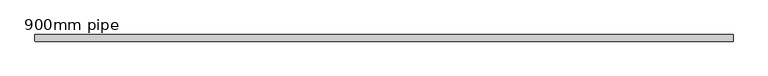
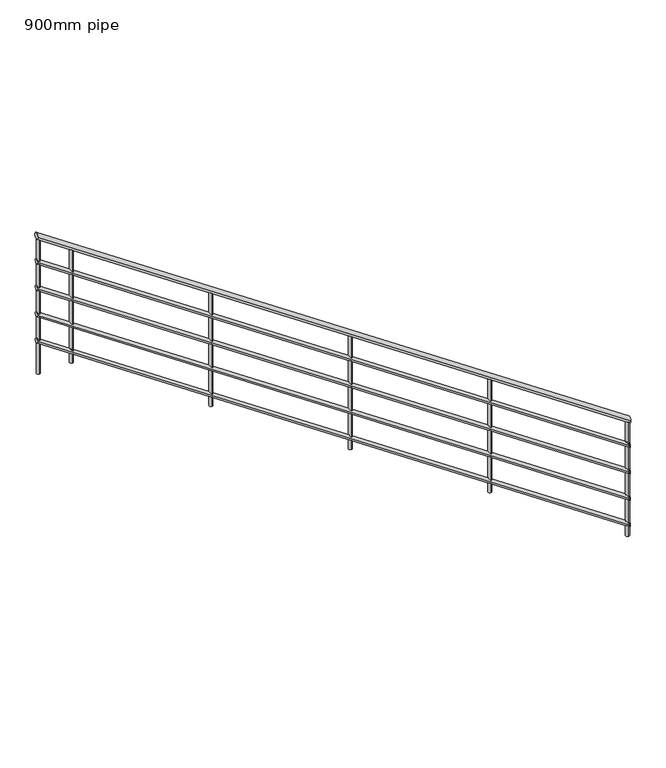
"""IFC4 building model written with IfcOpenShell, lengths in millimetres: railing geometry, 900mm pipe."""

from ifc_helpers import new_model, si_unit, frame, origin, place, context, project, spatial, circle_curve, ellipse_curve, source, transform, mapped, element, save
from ifc_brep_helpers import plane_surface, cylinder_surface, advanced_brep


def railing_900mm_pipe_1373e259(model_context):
    return source(origin(), model_context, "Body", "AdvancedBrep", [
        advanced_brep(
        [(5814.840733, -152.9565905, -2004.7165383), (5814.840733, -112.9565905, -2004.7165383), (1564.840733, -152.9565905, 875.8390173), (1564.840733, -112.9565905, 875.8390173)],
        [
            (0, 1, ellipse_curve(frame((5814.840733, -132.9565905, -2004.7165383), z_axis=(1.0, 0.0, 0.0), x_axis=(0.0, 0.0, -1.0)), 24.1609827, 20.0)),
            (1, 0, ellipse_curve(frame((5814.840733, -132.9565905, -2004.7165383), z_axis=(1.0, 0.0, 0.0), x_axis=(0.0, 0.0, -1.0)), 24.1609827, 20.0)),
            (2, 3, ellipse_curve(frame((1564.840733, -132.9565905, 875.8390173), z_axis=(-1.0, 0.0, 0.0), x_axis=(0.0, 0.0, -1.0)), 24.1609827, 20.0)),
            (3, 2, ellipse_curve(frame((1564.840733, -132.9565905, 875.8390173), z_axis=(-1.0, 0.0, 0.0), x_axis=(0.0, 0.0, -1.0)), 24.1609827, 20.0)),
            (0, 2),
            (3, 1),
        ],
        [
            plane_surface(frame((5814.840733, -132.9565905, -1980.5555556), z_axis=(1.0, 0.0, 0.0), x_axis=(0.0, -1.0, 0.0))),
            plane_surface(frame((1564.840733, -132.9565905, 900.0), z_axis=(-1.0, 0.0, 0.0), x_axis=(0.0, -1.0, 0.0))),
            cylinder_surface(frame((5803.6197031, -132.9565905, -1997.1111735), z_axis=(0.8277808988368525, 0.0, -0.5610514981005333), x_axis=(0.0, 1.0, 0.0)), 20.0),
        ],
        [
            (0, [[1, 2]]),
            (1, [[3, 4]]),
            (2, [[-1, 5, -4, 6]]),
            (2, [[-2, -6, -3, -5]]),
        ],
    ),
        advanced_brep(
        [(5814.840733, -147.9565905, -2198.6762926), (5814.840733, -117.9565905, -2198.6762926), (1564.840733, -147.9565905, 681.879263), (1564.840733, -117.9565905, 681.879263)],
        [
            (0, 1, ellipse_curve(frame((5814.840733, -132.9565905, -2198.6762926), z_axis=(1.0, 0.0, 0.0), x_axis=(0.0, 0.0, -1.0)), 18.120737, 15.0)),
            (1, 0, ellipse_curve(frame((5814.840733, -132.9565905, -2198.6762926), z_axis=(1.0, 0.0, 0.0), x_axis=(0.0, 0.0, -1.0)), 18.120737, 15.0)),
            (2, 3, ellipse_curve(frame((1564.840733, -132.9565905, 681.879263), z_axis=(-1.0, 0.0, 0.0), x_axis=(0.0, 0.0, -1.0)), 18.120737, 15.0)),
            (3, 2, ellipse_curve(frame((1564.840733, -132.9565905, 681.879263), z_axis=(-1.0, 0.0, 0.0), x_axis=(0.0, 0.0, -1.0)), 18.120737, 15.0)),
            (0, 2),
            (3, 1),
        ],
        [
            plane_surface(frame((5814.840733, -132.9565905, -2180.5555556), z_axis=(1.0, 0.0, 0.0), x_axis=(0.0, -1.0, 0.0))),
            plane_surface(frame((1564.840733, -132.9565905, 700.0), z_axis=(-1.0, 0.0, 0.0), x_axis=(0.0, -1.0, 0.0))),
            cylinder_surface(frame((5806.4249606, -132.9565905, -2192.972269), z_axis=(0.8277808988368525, 0.0, -0.5610514981005333), x_axis=(0.0, 1.0, 0.0)), 15.0),
        ],
        [
            (0, [[1, 2]]),
            (1, [[3, 4]]),
            (2, [[-1, 5, -4, 6]]),
            (2, [[-2, -6, -3, -5]]),
        ],
    ),
        advanced_brep(
        [(5814.840733, -147.9565905, -2398.6762926), (5814.840733, -117.9565905, -2398.6762926), (1564.840733, -147.9565905, 481.879263), (1564.840733, -117.9565905, 481.879263)],
        [
            (0, 1, ellipse_curve(frame((5814.840733, -132.9565905, -2398.6762926), z_axis=(1.0, 0.0, 0.0), x_axis=(0.0, 0.0, -1.0)), 18.120737, 15.0)),
            (1, 0, ellipse_curve(frame((5814.840733, -132.9565905, -2398.6762926), z_axis=(1.0, 0.0, 0.0), x_axis=(0.0, 0.0, -1.0)), 18.120737, 15.0)),
            (2, 3, ellipse_curve(frame((1564.840733, -132.9565905, 481.879263), z_axis=(-1.0, 0.0, 0.0), x_axis=(0.0, 0.0, -1.0)), 18.120737, 15.0)),
            (3, 2, ellipse_curve(frame((1564.840733, -132.9565905, 481.879263), z_axis=(-1.0, 0.0, 0.0), x_axis=(0.0, 0.0, -1.0)), 18.120737, 15.0)),
            (0, 2),
            (3, 1),
        ],
        [
            plane_surface(frame((5814.840733, -132.9565905, -2380.5555556), z_axis=(1.0, 0.0, 0.0), x_axis=(0.0, -1.0, 0.0))),
            plane_surface(frame((1564.840733, -132.9565905, 500.0), z_axis=(-1.0, 0.0, 0.0), x_axis=(0.0, -1.0, 0.0))),
            cylinder_surface(frame((5806.4249606, -132.9565905, -2392.972269), z_axis=(0.8277808988368525, 0.0, -0.5610514981005333), x_axis=(0.0, 1.0, 0.0)), 15.0),
        ],
        [
            (0, [[1, 2]]),
            (1, [[3, 4]]),
            (2, [[-1, 5, -4, 6]]),
            (2, [[-2, -6, -3, -5]]),
        ],
    ),
        advanced_brep(
        [(5814.840733, -147.9565905, -2598.6762926), (5814.840733, -117.9565905, -2598.6762926), (1564.840733, -147.9565905, 281.879263), (1564.840733, -117.9565905, 281.879263)],
        [
            (0, 1, ellipse_curve(frame((5814.840733, -132.9565905, -2598.6762926), z_axis=(1.0, 0.0, 0.0), x_axis=(0.0, 0.0, -1.0)), 18.120737, 15.0)),
            (1, 0, ellipse_curve(frame((5814.840733, -132.9565905, -2598.6762926), z_axis=(1.0, 0.0, 0.0), x_axis=(0.0, 0.0, -1.0)), 18.120737, 15.0)),
            (2, 3, ellipse_curve(frame((1564.840733, -132.9565905, 281.879263), z_axis=(-1.0, 0.0, 0.0), x_axis=(0.0, 0.0, -1.0)), 18.120737, 15.0)),
            (3, 2, ellipse_curve(frame((1564.840733, -132.9565905, 281.879263), z_axis=(-1.0, 0.0, 0.0), x_axis=(0.0, 0.0, -1.0)), 18.120737, 15.0)),
            (0, 2),
            (3, 1),
        ],
        [
            plane_surface(frame((5814.840733, -132.9565905, -2580.5555556), z_axis=(1.0, 0.0, 0.0), x_axis=(0.0, -1.0, 0.0))),
            plane_surface(frame((1564.840733, -132.9565905, 300.0), z_axis=(-1.0, 0.0, 0.0), x_axis=(0.0, -1.0, 0.0))),
            cylinder_surface(frame((5806.4249606, -132.9565905, -2592.972269), z_axis=(0.8277808988368525, 0.0, -0.5610514981005333), x_axis=(0.0, 1.0, 0.0)), 15.0),
        ],
        [
            (0, [[1, 2]]),
            (1, [[3, 4]]),
            (2, [[-1, 5, -4, 6]]),
            (2, [[-2, -6, -3, -5]]),
        ],
    ),
        advanced_brep(
        [(5814.840733, -147.9565905, -2798.6762926), (5814.840733, -117.9565905, -2798.6762926), (1564.840733, -147.9565905, 81.879263), (1564.840733, -117.9565905, 81.879263)],
        [
            (0, 1, ellipse_curve(frame((5814.840733, -132.9565905, -2798.6762926), z_axis=(1.0, 0.0, 0.0), x_axis=(0.0, 0.0, -1.0)), 18.120737, 15.0)),
            (1, 0, ellipse_curve(frame((5814.840733, -132.9565905, -2798.6762926), z_axis=(1.0, 0.0, 0.0), x_axis=(0.0, 0.0, -1.0)), 18.120737, 15.0)),
            (2, 3, ellipse_curve(frame((1564.840733, -132.9565905, 81.879263), z_axis=(-1.0, 0.0, 0.0), x_axis=(0.0, 0.0, -1.0)), 18.120737, 15.0)),
            (3, 2, ellipse_curve(frame((1564.840733, -132.9565905, 81.879263), z_axis=(-1.0, 0.0, 0.0), x_axis=(0.0, 0.0, -1.0)), 18.120737, 15.0)),
            (0, 2),
            (3, 1),
        ],
        [
            plane_surface(frame((5814.840733, -132.9565905, -2780.5555556), z_axis=(1.0, 0.0, 0.0), x_axis=(0.0, -1.0, 0.0))),
            plane_surface(frame((1564.840733, -132.9565905, 100.0), z_axis=(-1.0, 0.0, 0.0), x_axis=(0.0, -1.0, 0.0))),
            cylinder_surface(frame((5806.4249606, -132.9565905, -2792.972269), z_axis=(0.8277808988368525, 0.0, -0.5610514981005333), x_axis=(0.0, 1.0, 0.0)), 15.0),
        ],
        [
            (0, [[1, 2]]),
            (1, [[3, 4]]),
            (2, [[-1, 5, -4, 6]]),
            (2, [[-2, -6, -3, -5]]),
        ],
    ),
        advanced_brep(
        [(1814.840733, -120.4565905, 690.5555556), (1814.840733, -120.4565905, -169.4444444), (1814.840733, -145.4565905, -169.4444444), (1814.840733, -145.4565905, 690.5555556)],
        [
            (0, 1),
            (1, 2, circle_curve(frame((1814.840733, -132.9565905, -169.4444444), z_axis=(0.0, 0.0, 1.0), x_axis=(0.0, -1.0, 0.0)), 12.5)),
            (2, 3),
            (3, 0, ellipse_curve(frame((1814.840733, -132.9565905, 690.5555556), z_axis=(-0.5610514981005325, 0.0, -0.8277808988368531), x_axis=(-0.8277808988368532, 0.0, 0.5610514981005321)), 15.1006142, 12.5)),
            (0, 3, ellipse_curve(frame((1814.840733, -132.9565905, 690.5555556), z_axis=(-0.5610514981005325, 0.0, -0.8277808988368531), x_axis=(-0.8277808988368532, 0.0, 0.5610514981005321)), 15.1006142, 12.5)),
            (2, 1, circle_curve(frame((1814.840733, -132.9565905, -169.4444444), z_axis=(0.0, 0.0, 1.0), x_axis=(0.0, -1.0, 0.0)), 12.5)),
        ],
        [
            cylinder_surface(frame((1814.840733, -132.9565905, -269.4444444), z_axis=(0.0, 0.0, 1.0), x_axis=(0.0, -1.0, 0.0)), 12.5),
            plane_surface(frame((1789.840733, -157.9565905, 707.5), z_axis=(0.5610514981005325, 0.0, 0.8277808988368531), x_axis=(0.0, 1.0, 0.0))),
            plane_surface(frame((1839.840733, -157.9565905, -169.4444444), z_axis=(0.0, 0.0, -1.0), x_axis=(0.0, 1.0, 0.0))),
        ],
        [
            (0, [[1, 2, 3, 4]]),
            (0, [[-1, 5, -3, 6]]),
            (1, [[-4, -5]]),
            (2, [[-2, -6]]),
        ],
    ),
        advanced_brep(
        [(2814.840733, -120.4565905, 12.7777778), (2814.840733, -120.4565905, -847.2222222), (2814.840733, -145.4565905, -847.2222222), (2814.840733, -145.4565905, 12.7777778)],
        [
            (0, 1),
            (1, 2, circle_curve(frame((2814.840733, -132.9565905, -847.2222222), z_axis=(0.0, 0.0, 1.0), x_axis=(0.0, -1.0, 0.0)), 12.5)),
            (2, 3),
            (3, 0, ellipse_curve(frame((2814.840733, -132.9565905, 12.7777778), z_axis=(-0.5610514981005325, 0.0, -0.8277808988368531), x_axis=(-0.8277808988368532, 0.0, 0.5610514981005321)), 15.1006142, 12.5)),
            (0, 3, ellipse_curve(frame((2814.840733, -132.9565905, 12.7777778), z_axis=(-0.5610514981005325, 0.0, -0.8277808988368531), x_axis=(-0.8277808988368532, 0.0, 0.5610514981005321)), 15.1006142, 12.5)),
            (2, 1, circle_curve(frame((2814.840733, -132.9565905, -847.2222222), z_axis=(0.0, 0.0, 1.0), x_axis=(0.0, -1.0, 0.0)), 12.5)),
        ],
        [
            cylinder_surface(frame((2814.840733, -132.9565905, -947.2222222), z_axis=(0.0, 0.0, 1.0), x_axis=(0.0, -1.0, 0.0)), 12.5),
            plane_surface(frame((2789.840733, -157.9565905, 29.7222222), z_axis=(0.5610514981005325, 0.0, 0.8277808988368531), x_axis=(0.0, 1.0, 0.0))),
            plane_surface(frame((2839.840733, -157.9565905, -847.2222222), z_axis=(0.0, 0.0, -1.0), x_axis=(0.0, 1.0, 0.0))),
        ],
        [
            (0, [[1, 2, 3, 4]]),
            (0, [[-1, 5, -3, 6]]),
            (1, [[-4, -5]]),
            (2, [[-2, -6]]),
        ],
    ),
        advanced_brep(
        [(3814.840733, -120.4565905, -665.0), (3814.840733, -120.4565905, -1525.0), (3814.840733, -145.4565905, -1525.0), (3814.840733, -145.4565905, -665.0)],
        [
            (0, 1),
            (1, 2, circle_curve(frame((3814.840733, -132.9565905, -1525.0), z_axis=(0.0, 0.0, 1.0), x_axis=(0.0, -1.0, 0.0)), 12.5)),
            (2, 3),
            (3, 0, ellipse_curve(frame((3814.840733, -132.9565905, -665.0), z_axis=(-0.5610514981005325, 0.0, -0.8277808988368531), x_axis=(-0.8277808988368532, 0.0, 0.5610514981005321)), 15.1006142, 12.5)),
            (0, 3, ellipse_curve(frame((3814.840733, -132.9565905, -665.0), z_axis=(-0.5610514981005325, 0.0, -0.8277808988368531), x_axis=(-0.8277808988368532, 0.0, 0.5610514981005321)), 15.1006142, 12.5)),
            (2, 1, circle_curve(frame((3814.840733, -132.9565905, -1525.0), z_axis=(0.0, 0.0, 1.0), x_axis=(0.0, -1.0, 0.0)), 12.5)),
        ],
        [
            cylinder_surface(frame((3814.840733, -132.9565905, -1625.0), z_axis=(0.0, 0.0, 1.0), x_axis=(0.0, -1.0, 0.0)), 12.5),
            plane_surface(frame((3789.840733, -157.9565905, -648.0555556), z_axis=(0.5610514981005325, 0.0, 0.8277808988368531), x_axis=(0.0, 1.0, 0.0))),
            plane_surface(frame((3839.840733, -157.9565905, -1525.0), z_axis=(0.0, 0.0, -1.0), x_axis=(0.0, 1.0, 0.0))),
        ],
        [
            (0, [[1, 2, 3, 4]]),
            (0, [[-1, 5, -3, 6]]),
            (1, [[-4, -5]]),
            (2, [[-2, -6]]),
        ],
    ),
        advanced_brep(
        [(4814.840733, -120.4565905, -1342.7777778), (4814.840733, -120.4565905, -2202.7777778), (4814.840733, -145.4565905, -2202.7777778), (4814.840733, -145.4565905, -1342.7777778)],
        [
            (0, 1),
            (1, 2, circle_curve(frame((4814.840733, -132.9565905, -2202.7777778), z_axis=(0.0, 0.0, 1.0), x_axis=(0.0, -1.0, 0.0)), 12.5)),
            (2, 3),
            (3, 0, ellipse_curve(frame((4814.840733, -132.9565905, -1342.7777778), z_axis=(-0.5610514981005325, 0.0, -0.8277808988368531), x_axis=(-0.8277808988368532, 0.0, 0.5610514981005321)), 15.1006142, 12.5)),
            (0, 3, ellipse_curve(frame((4814.840733, -132.9565905, -1342.7777778), z_axis=(-0.5610514981005325, 0.0, -0.8277808988368531), x_axis=(-0.8277808988368532, 0.0, 0.5610514981005321)), 15.1006142, 12.5)),
            (2, 1, circle_curve(frame((4814.840733, -132.9565905, -2202.7777778), z_axis=(0.0, 0.0, 1.0), x_axis=(0.0, -1.0, 0.0)), 12.5)),
        ],
        [
            cylinder_surface(frame((4814.840733, -132.9565905, -2302.7777778), z_axis=(0.0, 0.0, 1.0), x_axis=(0.0, -1.0, 0.0)), 12.5),
            plane_surface(frame((4789.840733, -157.9565905, -1325.8333333), z_axis=(0.5610514981005325, 0.0, 0.8277808988368531), x_axis=(0.0, 1.0, 0.0))),
            plane_surface(frame((4839.840733, -157.9565905, -2202.7777778), z_axis=(0.0, 0.0, -1.0), x_axis=(0.0, 1.0, 0.0))),
        ],
        [
            (0, [[1, 2, 3, 4]]),
            (0, [[-1, 5, -3, 6]]),
            (1, [[-4, -5]]),
            (2, [[-2, -6]]),
        ],
    ),
        advanced_brep(
        [(1577.340733, -120.4565905, 851.5277778), (1577.340733, -120.4565905, -169.4444444), (1577.340733, -145.4565905, -169.4444444), (1577.340733, -145.4565905, 851.5277778)],
        [
            (0, 1),
            (1, 2, circle_curve(frame((1577.340733, -132.9565905, -169.4444444), z_axis=(0.0, 0.0, 1.0), x_axis=(0.0, -1.0, 0.0)), 12.5)),
            (2, 3),
            (3, 0, ellipse_curve(frame((1577.340733, -132.9565905, 851.5277778), z_axis=(-0.5610514981005325, 0.0, -0.8277808988368531), x_axis=(-0.8277808988368532, 0.0, 0.5610514981005321)), 15.1006142, 12.5)),
            (0, 3, ellipse_curve(frame((1577.340733, -132.9565905, 851.5277778), z_axis=(-0.5610514981005325, 0.0, -0.8277808988368531), x_axis=(-0.8277808988368532, 0.0, 0.5610514981005321)), 15.1006142, 12.5)),
            (2, 1, circle_curve(frame((1577.340733, -132.9565905, -169.4444444), z_axis=(0.0, 0.0, 1.0), x_axis=(0.0, -1.0, 0.0)), 12.5)),
        ],
        [
            cylinder_surface(frame((1577.340733, -132.9565905, -269.4444444), z_axis=(0.0, 0.0, 1.0), x_axis=(0.0, -1.0, 0.0)), 12.5),
            plane_surface(frame((1552.340733, -157.9565905, 868.4722222), z_axis=(0.5610514981005325, 0.0, 0.8277808988368531), x_axis=(0.0, 1.0, 0.0))),
            plane_surface(frame((1602.340733, -157.9565905, -169.4444444), z_axis=(0.0, 0.0, -1.0), x_axis=(0.0, 1.0, 0.0))),
        ],
        [
            (0, [[1, 2, 3, 4]]),
            (0, [[-1, 5, -3, 6]]),
            (1, [[-4, -5]]),
            (2, [[-2, -6]]),
        ],
    ),
        advanced_brep(
        [(5802.340733, -120.4565905, -2012.0833333), (5802.340733, -120.4565905, -2880.5555556), (5802.340733, -145.4565905, -2880.5555556), (5802.340733, -145.4565905, -2012.0833333)],
        [
            (0, 1),
            (1, 2, circle_curve(frame((5802.340733, -132.9565905, -2880.5555556), z_axis=(0.0, 0.0, 1.0), x_axis=(0.0, -1.0, 0.0)), 12.5)),
            (2, 3),
            (3, 0, ellipse_curve(frame((5802.340733, -132.9565905, -2012.0833333), z_axis=(-0.5610514981005339, 0.0, -0.827780898836852), x_axis=(-0.8277808988368521, 0.0, 0.5610514981005339)), 15.1006142, 12.5)),
            (0, 3, ellipse_curve(frame((5802.340733, -132.9565905, -2012.0833333), z_axis=(-0.5610514981005339, 0.0, -0.827780898836852), x_axis=(-0.8277808988368521, 0.0, 0.5610514981005339)), 15.1006142, 12.5)),
            (2, 1, circle_curve(frame((5802.340733, -132.9565905, -2880.5555556), z_axis=(0.0, 0.0, 1.0), x_axis=(0.0, -1.0, 0.0)), 12.5)),
        ],
        [
            cylinder_surface(frame((5802.340733, -132.9565905, -2980.5555556), z_axis=(0.0, 0.0, 1.0), x_axis=(0.0, -1.0, 0.0)), 12.5),
            plane_surface(frame((5777.340733, -157.9565905, -1995.1388889), z_axis=(0.5610514981005339, 0.0, 0.827780898836852), x_axis=(0.0, 1.0, 0.0))),
            plane_surface(frame((5827.340733, -157.9565905, -2880.5555556), z_axis=(0.0, 0.0, -1.0), x_axis=(0.0, 1.0, 0.0))),
        ],
        [
            (0, [[1, 2, 3, 4]]),
            (0, [[-1, 5, -3, 6]]),
            (1, [[-4, -5]]),
            (2, [[-2, -6]]),
        ],
    ),
    ])


if __name__ == "__main__":
    model = new_model("IFC4")
    model_context = context("Model", 3, world=origin())
    ifc_project = project(units=[si_unit("LENGTHUNIT", "METRE", prefix="MILLI")], contexts=[model_context])
    site = spatial("IfcSite", under=ifc_project)
    building = spatial("IfcBuilding", under=site)
    placement = place(None, origin())
    railing_900mm_pipe_shape = railing_900mm_pipe_1373e259(model_context)
    element("IfcRailing", 1, ObjectType="900mm pipe", at=placement, inside=building, context=model_context, shape_type="MappedRepresentation", body=[
        mapped(railing_900mm_pipe_shape, transform((0.0, 0.0, 0.0), x_axis=(1.0, 0.0, 0.0), y_axis=(0.0, 1.0, 0.0), z_axis=(0.0, 0.0, 1.0))),
    ])
    save(model, "model.ifc")
